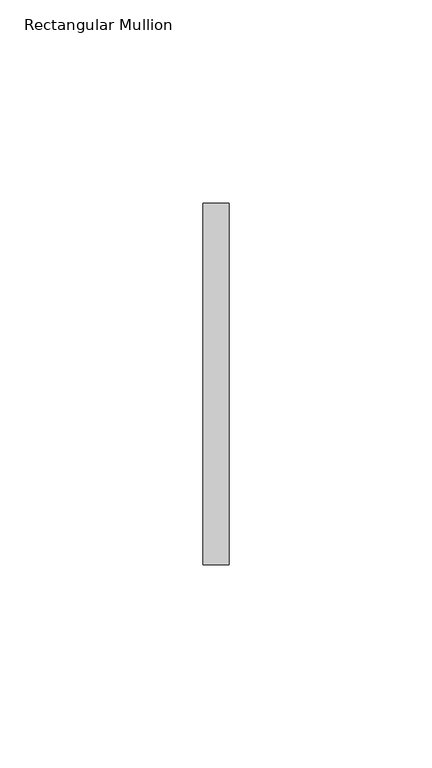
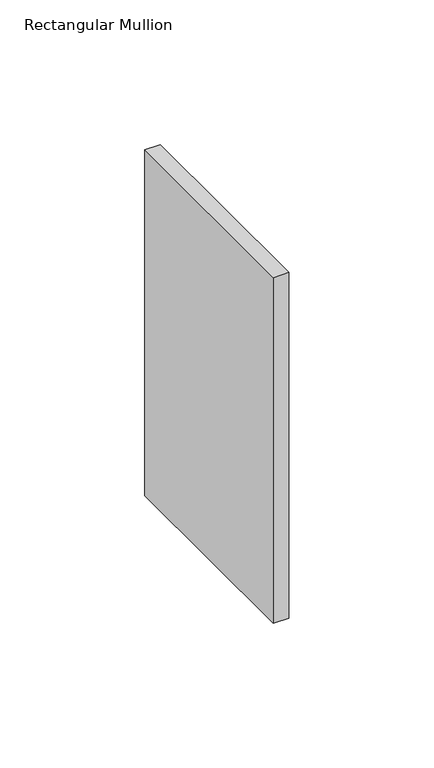
"""IFC4 building model written with IfcOpenShell, lengths in millimetres: member geometry, Rectangular Mullion."""

from ifc_helpers import new_model, si_unit, frame, origin, place, context, project, spatial, polyline, outline, extrude, source, transform, mapped, element, save


def rectangular_mullion_53cb41ad(model_context):
    return source(origin(), model_context, "Body", "SweptSolid", [
        extrude(outline(polyline([(0.0, 44.45), (0.0, -44.45), (-6.35, -44.45), (-6.35, 44.45), (0.0, 44.45)])), frame((0.0, 0.0, -146.0499763), z_axis=(0.0, 0.0, 1.0), x_axis=(1.0, 0.0, 0.0)), (0.0, 0.0, 1.0), 146.0499763),
    ])


if __name__ == "__main__":
    model = new_model("IFC4")
    model_context = context("Model", 3, world=origin())
    ifc_project = project(units=[si_unit("LENGTHUNIT", "METRE", prefix="MILLI")], contexts=[model_context])
    site = spatial("IfcSite", under=ifc_project)
    building = spatial("IfcBuilding", under=site)
    placement = place(None, origin())
    rectangular_mullion_shape = rectangular_mullion_53cb41ad(model_context)
    element("IfcMember", 1, ObjectType="Rectangular Mullion", at=placement, inside=building, context=model_context, shape_type="MappedRepresentation", body=[
        mapped(rectangular_mullion_shape, transform((0.0, 0.0, 0.0), x_axis=(1.0, 0.0, 0.0), y_axis=(0.0, 1.0, 0.0), z_axis=(0.0, 0.0, 1.0))),
    ])
    save(model, "model.ifc")
